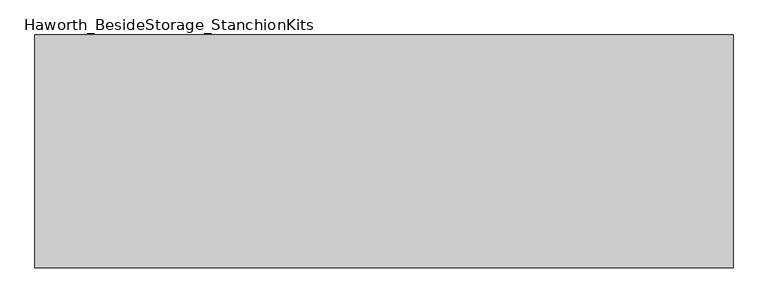
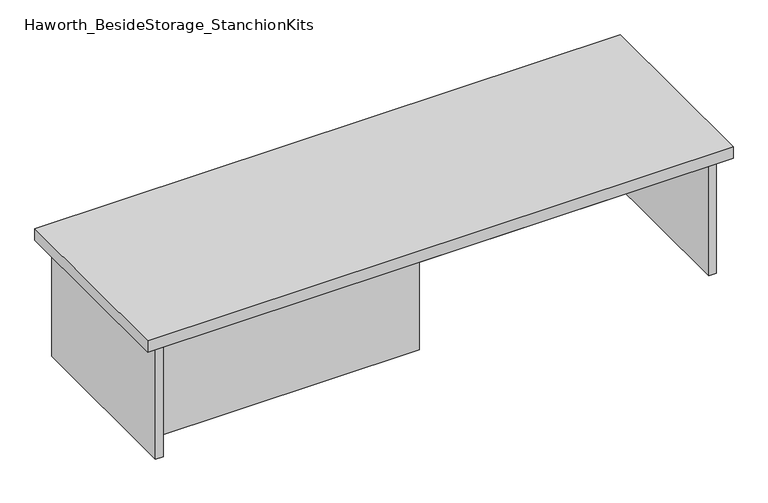
"""IFC4 building model written with IfcOpenShell, lengths in millimetres: furniture geometry, Haworth_BesideStorage_StanchionKits."""

import ifcopenshell
import ifcopenshell.guid

model = None  # the IFC model being written
_history = None  # IfcOwnerHistory: only IFC2X3 demands one
_inside = {}  # id of a spatial element -> (the spatial element, [elements in it])
_under = {}  # id of a project, library or spatial element -> (it, [spatial elements below it])
_declared = {}  # id of a project -> (the project, [libraries it declares])
_typed = {}  # id of a type object -> (the type object, [elements of that type])
_made_of = {}  # id of a material, layer set ... -> (it, [elements and type objects made of it])


def new_model(schema):
    """Start an empty IFC model of exactly this schema.

    Asked for "IFC4X3", IfcOpenShell would pick the latest addendum, in which some entities
    have other attributes; the version numbers below select the first issue.
    IFC2X3 requires an IfcOwnerHistory on every rooted entity: one is made here for all.
    """
    global model, _history
    if schema == "IFC4X3":
        model = ifcopenshell.file(schema_version=(4, 3, 0, 0))
    else:
        model = ifcopenshell.file(schema=schema)
    _inside.clear()
    _under.clear()
    _declared.clear()
    _typed.clear()
    _made_of.clear()
    _history = None
    if model.schema == "IFC2X3":
        org = make("IfcOrganization", Name="unknown")
        user = make(
            "IfcPersonAndOrganization",
            ThePerson=make("IfcPerson", FamilyName="unknown"),
            TheOrganization=org,
        )
        app = make(
            "IfcApplication",
            ApplicationDeveloper=org,
            Version="unknown",
            ApplicationFullName="unknown",
            ApplicationIdentifier="unknown",
        )
        _history = make(
            "IfcOwnerHistory",
            OwningUser=user,
            OwningApplication=app,
            ChangeAction="ADDED",
            CreationDate=0,
        )
    return model


def make(cls, **values):
    """One entity of the class cls with the attributes given. An attribute that is None is left unset."""
    return model.create_entity(
        cls, **{name: value for name, value in values.items() if value is not None}
    )


def rooted(cls, **values):
    """An entity with a GlobalId (a new one), such as an element, a storey or a relation."""
    return make(cls, GlobalId=ifcopenshell.guid.new(), OwnerHistory=_history, **values)


def si_unit(unit_type, name, prefix=None):
    """IfcSIUnit, for example si_unit("LENGTHUNIT", "METRE", prefix="MILLI")."""
    return make("IfcSIUnit", UnitType=unit_type, Prefix=prefix, Name=name)


def assignment(units):
    """IfcUnitAssignment: the units of a project."""
    return None if units is None else make("IfcUnitAssignment", Units=units)


def point(xyz):
    """IfcCartesianPoint."""
    return None if xyz is None else make("IfcCartesianPoint", Coordinates=xyz)


def direction(xyz):
    """IfcDirection."""
    return None if xyz is None else make("IfcDirection", DirectionRatios=xyz)


def frame(location, z_axis=None, x_axis=None):
    """IfcAxis2Placement3D, a coordinate frame: its origin and axes. An axis left out is left unset."""
    return make(
        "IfcAxis2Placement3D",
        Location=point(location),
        Axis=direction(z_axis),
        RefDirection=direction(x_axis),
    )


def origin():
    """The frame at (0, 0, 0) with its axes left unset."""
    return frame((0.0, 0.0, 0.0))


def place(relative_to, where):
    """IfcLocalPlacement: puts the frame where relative to a parent placement (None: the world)."""
    return make(
        "IfcLocalPlacement", PlacementRelTo=relative_to, RelativePlacement=where
    )


def context(
    kind, dimensions, precision=None, world=None, true_north=None, identifier=None
):
    """IfcGeometricRepresentationContext, for example the 3D "Model" context."""
    return make(
        "IfcGeometricRepresentationContext",
        ContextIdentifier=identifier,
        ContextType=kind,
        CoordinateSpaceDimension=dimensions,
        Precision=precision,
        WorldCoordinateSystem=world,
        TrueNorth=true_north,
    )


def project(units=None, contexts=None):
    """IfcProject with its units and contexts."""
    return rooted(
        "IfcProject",
        Name="project",
        RepresentationContexts=contexts,
        UnitsInContext=assignment(units),
    )


def spatial(cls, under=None, at=None, **own):
    """A site, building, storey or space (cls), placed at a placement, below another one or the project."""
    s = rooted(cls, ObjectPlacement=at, **own)
    if under is not None:
        _under.setdefault(under.id(), (under, []))[1].append(s)
    return s


def polyline(points):
    """IfcPolyline through the points."""
    return make("IfcPolyline", Points=[point(p) for p in points])


def outline(outer, holes=None, kind="AREA"):
    """IfcArbitraryClosedProfileDef: a profile drawn as a closed curve; with holes, ...WithVoids."""
    if holes is None:
        return make("IfcArbitraryClosedProfileDef", ProfileType=kind, OuterCurve=outer)
    return make(
        "IfcArbitraryProfileDefWithVoids",
        ProfileType=kind,
        OuterCurve=outer,
        InnerCurves=holes,
    )


def extrude(swept, where, along, depth):
    """IfcExtrudedAreaSolid: the profile swept, set in the frame where, extruded along a direction by depth."""
    return make(
        "IfcExtrudedAreaSolid",
        SweptArea=swept,
        Position=where,
        ExtrudedDirection=direction(along),
        Depth=depth,
    )


def shape(context_of_items, identifier, shape_type, items):
    """IfcShapeRepresentation: the items that make up one representation, for example the "Body"."""
    return make(
        "IfcShapeRepresentation",
        ContextOfItems=context_of_items,
        RepresentationIdentifier=identifier,
        RepresentationType=shape_type,
        Items=items,
    )


def source(mapping_origin, context_of_items, identifier, shape_type, items):
    """IfcRepresentationMap: a shape defined once, which mapped items show again and again."""
    return make(
        "IfcRepresentationMap",
        MappingOrigin=mapping_origin,
        MappedRepresentation=shape(context_of_items, identifier, shape_type, items),
    )


def transform(
    local_origin,
    x_axis=None,
    y_axis=None,
    z_axis=None,
    scale=None,
    scale2=None,
    scale3=None,
    uniform=True,
):
    """IfcCartesianTransformationOperator3D, or its non-uniform kind. x_axis, y_axis, z_axis: its Axis1, 2, 3."""
    if uniform:
        return make(
            "IfcCartesianTransformationOperator3D",
            Axis1=direction(x_axis),
            Axis2=direction(y_axis),
            LocalOrigin=point(local_origin),
            Scale=scale,
            Axis3=direction(z_axis),
        )
    return make(
        "IfcCartesianTransformationOperator3DnonUniform",
        Axis1=direction(x_axis),
        Axis2=direction(y_axis),
        LocalOrigin=point(local_origin),
        Scale=scale,
        Axis3=direction(z_axis),
        Scale2=scale2,
        Scale3=scale3,
    )


def mapped(mapping_source, mapping_target):
    """IfcMappedItem: shows the shape of a source again, moved by a transform."""
    return make(
        "IfcMappedItem", MappingSource=mapping_source, MappingTarget=mapping_target
    )


def made_of(thing, what):
    """Note that an element or type object is made of a material, layer set ...; save() writes the relation."""
    if what is not None:
        _made_of.setdefault(what.id(), (what, []))[1].append(thing)
    return thing


def element(
    cls,
    number,
    at=None,
    inside=None,
    cuts=None,
    type_object=None,
    material=None,
    context=None,
    identifier="Body",
    shape_type=None,
    held_by="IfcProductDefinitionShape",
    body=None,
    shapes=None,
    **own,
):
    """One element of the class cls, such as IfcWall. Its Tag is "e" and its number.

    at: its placement. inside: the storey or other place that contains it. cuts: it is an
    opening in that element (IfcRelVoidsElement). A single representation is given by context,
    identifier, shape_type and body (its items); several are given by shapes. held_by: the class
    of the entity that holds the representations. save() writes the other relations.
    """
    e = rooted(cls, Tag="e%d" % number, ObjectPlacement=at, **own)
    if body is not None:
        shapes = [shape(context, identifier, shape_type, body)]
    if shapes is not None:
        e.Representation = make(held_by, Representations=shapes)
    if inside is not None:
        _inside.setdefault(inside.id(), (inside, []))[1].append(e)
    if cuts is not None:
        rooted(
            "IfcRelVoidsElement", RelatingBuildingElement=cuts, RelatedOpeningElement=e
        )
    if type_object is not None:
        _typed.setdefault(type_object.id(), (type_object, []))[1].append(e)
    return made_of(e, material)


def aggregate(whole, parts):
    """IfcRelAggregates: a whole, such as a stair, and the parts it consists of."""
    return rooted("IfcRelAggregates", RelatingObject=whole, RelatedObjects=parts)


def save(model, path):
    """Write the relations noted so far, then the file.

    IfcRelAggregates (storeys below a building ...), IfcRelContainedInSpatialStructure (elements
    in a storey), IfcRelDefinesByType, IfcRelAssociatesMaterial and IfcRelDeclares: one each for
    every whole, place, type object, material and project.
    """
    for whole, parts in _under.values():
        aggregate(whole, parts)
    for where, things in _inside.values():
        rooted(
            "IfcRelContainedInSpatialStructure",
            RelatedElements=things,
            RelatingStructure=where,
        )
    for kind, things in _typed.values():
        rooted("IfcRelDefinesByType", RelatedObjects=things, RelatingType=kind)
    for what, things in _made_of.values():
        rooted("IfcRelAssociatesMaterial", RelatedObjects=things, RelatingMaterial=what)
    for by, libraries in _declared.values():
        rooted("IfcRelDeclares", RelatingContext=by, RelatedDefinitions=libraries)
    model.write(path)


def haworth_besidestorage_stanchionkits_6da06b7b(model_context):
    return source(origin(), model_context, "Body", "SweptSolid", [
        extrude(outline(polyline([(771.525, 0.0), (771.525, -406.4), (-447.675, -406.4), (-447.675, 0.0), (771.525, 0.0)])), frame((0.0, 0.0, 685.8), z_axis=(0.0, 0.0, 1.0), x_axis=(1.0, 0.0, 0.0)), (0.0, 0.0, 1.0), 25.4),
        extrude(outline(polyline([(161.925, -76.2), (730.25, -76.2), (730.25, -92.075), (161.925, -92.075), (161.925, -76.2)])), frame((0.0, 0.0, 431.8), z_axis=(0.0, 0.0, 1.0), x_axis=(1.0, 0.0, 0.0)), (0.0, 0.0, 1.0), 254.0),
        extrude(outline(polyline([(161.925, -314.325), (161.925, -330.2), (-406.4, -330.2), (-406.4, -314.325), (161.925, -314.325)])), frame((0.0, 0.0, 431.8), z_axis=(0.0, 0.0, 1.0), x_axis=(1.0, 0.0, 0.0)), (0.0, 0.0, 1.0), 254.0),
        extrude(outline(polyline([(746.125, -390.525), (730.25, -390.525), (730.25, -15.875), (746.125, -15.875), (746.125, -390.525)])), frame((0.0, 0.0, 431.8), z_axis=(0.0, 0.0, 1.0), x_axis=(1.0, 0.0, 0.0)), (0.0, 0.0, 1.0), 254.0),
        extrude(outline(polyline([(-406.4, -390.525), (-422.275, -390.525), (-422.275, -15.875), (-406.4, -15.875), (-406.4, -390.525)])), frame((0.0, 0.0, 431.8), z_axis=(0.0, 0.0, 1.0), x_axis=(1.0, 0.0, 0.0)), (0.0, 0.0, 1.0), 254.0),
    ])


if __name__ == "__main__":
    model = new_model("IFC4")
    model_context = context("Model", 3, world=origin())
    ifc_project = project(units=[si_unit("LENGTHUNIT", "METRE", prefix="MILLI")], contexts=[model_context])
    site = spatial("IfcSite", under=ifc_project)
    building = spatial("IfcBuilding", under=site)
    placement = place(None, origin())
    haworth_besidestorage_stanchionkits_shape = haworth_besidestorage_stanchionkits_6da06b7b(model_context)
    element("IfcFurniture", 1, ObjectType="Haworth_BesideStorage_StanchionKits", at=placement, inside=building, context=model_context, shape_type="MappedRepresentation", body=[
        mapped(haworth_besidestorage_stanchionkits_shape, transform((0.0, 0.0, 0.0), x_axis=(1.0, 0.0, 0.0), y_axis=(0.0, 1.0, 0.0), z_axis=(0.0, 0.0, 1.0))),
    ])
    save(model, "model.ifc")
